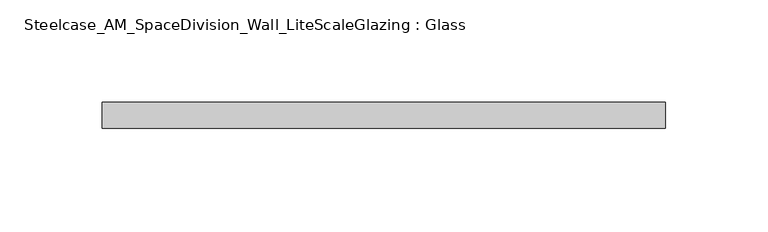
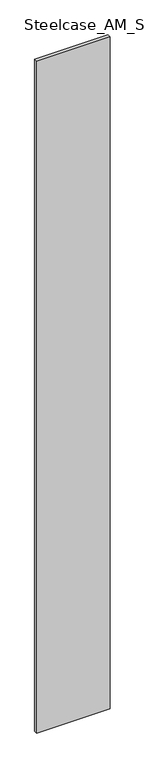
"""IFC4 building model written with IfcOpenShell, lengths in millimetres: plate geometry, Steelcase_AM_SpaceDivision_Wall_LiteScaleGlazing : Glass."""

from ifc_helpers import new_model, si_unit, origin, origin_with_axes, place, context, project, spatial, polyline, outline, extrude, source, transform, mapped, element, save


def steelcase_am_spacedivision_wall_litescaleglazing_glass_46243990(model_context):
    return source(origin(), model_context, "Body", "SweptSolid", [
        extrude(outline(polyline([(-137.668, -6.349956), (-137.668, 6.3502015), (137.668, 6.3502015), (137.668, -6.349956), (-137.668, -6.349956)])), origin_with_axes(), (0.0, 0.0, 1.0), 2665.984),
    ])


if __name__ == "__main__":
    model = new_model("IFC4")
    model_context = context("Model", 3, world=origin())
    ifc_project = project(units=[si_unit("LENGTHUNIT", "METRE", prefix="MILLI")], contexts=[model_context])
    site = spatial("IfcSite", under=ifc_project)
    building = spatial("IfcBuilding", under=site)
    placement = place(None, origin())
    steelcase_am_spacedivision_wall_litescaleglazing_glass_shape = steelcase_am_spacedivision_wall_litescaleglazing_glass_46243990(model_context)
    element("IfcPlate", 1, ObjectType="Steelcase_AM_SpaceDivision_Wall_LiteScaleGlazing : Glass", at=placement, inside=building, context=model_context, shape_type="MappedRepresentation", body=[
        mapped(steelcase_am_spacedivision_wall_litescaleglazing_glass_shape, transform((0.0, 0.0, 0.0), x_axis=(1.0, 0.0, 0.0), y_axis=(0.0, 1.0, 0.0), z_axis=(0.0, 0.0, 1.0))),
    ])
    save(model, "model.ifc")
